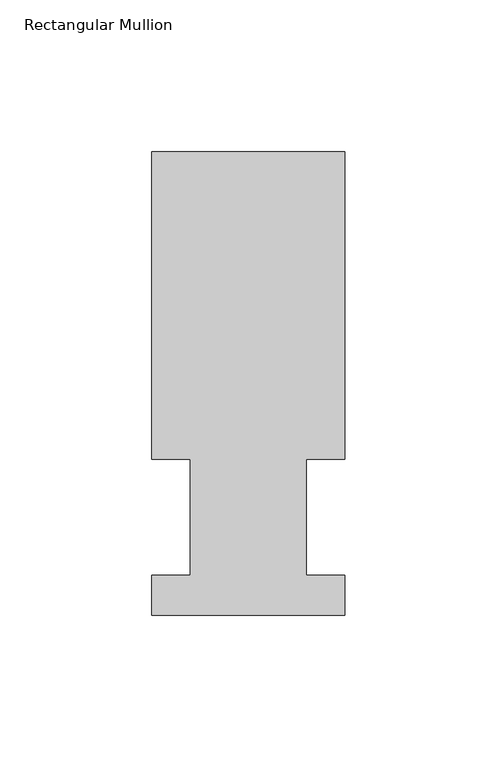
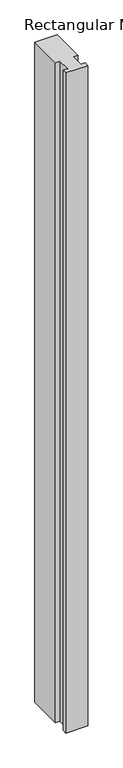
"""IFC4 building model written with IfcOpenShell, lengths in millimetres: member geometry, Rectangular Mullion."""

from ifc_helpers import new_model, si_unit, frame, origin, place, context, project, spatial, polyline, outline, extrude, source, transform, mapped, element, save


def rectangular_mullion_87511bc6(model_context):
    return source(origin(), model_context, "Body", "SweptSolid", [
        extrude(outline(polyline([(31.75, 152.4896938), (31.75, 51.2960937), (19.05, 51.2960937), (19.05, 13.1960938), (31.75, 13.1960938), (31.75, 0.0134938), (-31.75, 0.0134938), (-31.75, 13.1960938), (-19.05, 13.1960938), (-19.05, 51.2960937), (-31.75, 51.2960937), (-31.75, 152.4896938), (31.75, 152.4896938)])), frame((0.0, 0.0, -1993.9), z_axis=(0.0, 0.0, 1.0), x_axis=(1.0, 0.0, 0.0)), (0.0, 0.0, 1.0), 1993.9),
    ])


if __name__ == "__main__":
    model = new_model("IFC4")
    model_context = context("Model", 3, world=origin())
    ifc_project = project(units=[si_unit("LENGTHUNIT", "METRE", prefix="MILLI")], contexts=[model_context])
    site = spatial("IfcSite", under=ifc_project)
    building = spatial("IfcBuilding", under=site)
    placement = place(None, origin())
    rectangular_mullion_shape = rectangular_mullion_87511bc6(model_context)
    element("IfcMember", 1, ObjectType="Rectangular Mullion", at=placement, inside=building, context=model_context, shape_type="MappedRepresentation", body=[
        mapped(rectangular_mullion_shape, transform((0.0, 0.0, 0.0), x_axis=(1.0, 0.0, 0.0), y_axis=(0.0, 1.0, 0.0), z_axis=(0.0, 0.0, 1.0))),
    ])
    save(model, "model.ifc")
